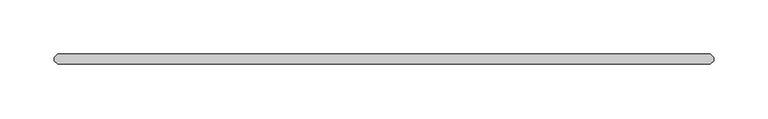
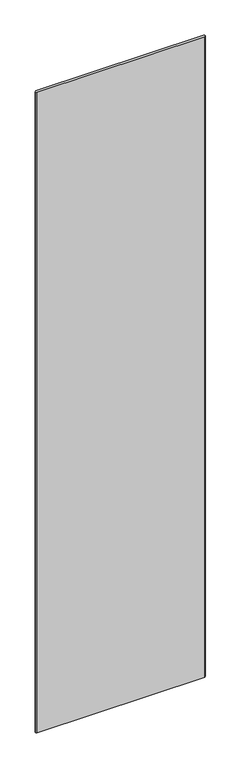
"""IFC4 building model written with IfcOpenShell, lengths in millimetres: plate geometry."""

import ifcopenshell
import ifcopenshell.guid

model = None  # the IFC model being written
_history = None  # IfcOwnerHistory: only IFC2X3 demands one
_inside = {}  # id of a spatial element -> (the spatial element, [elements in it])
_under = {}  # id of a project, library or spatial element -> (it, [spatial elements below it])
_declared = {}  # id of a project -> (the project, [libraries it declares])
_typed = {}  # id of a type object -> (the type object, [elements of that type])
_made_of = {}  # id of a material, layer set ... -> (it, [elements and type objects made of it])


def new_model(schema):
    """Start an empty IFC model of exactly this schema.

    Asked for "IFC4X3", IfcOpenShell would pick the latest addendum, in which some entities
    have other attributes; the version numbers below select the first issue.
    IFC2X3 requires an IfcOwnerHistory on every rooted entity: one is made here for all.
    """
    global model, _history
    if schema == "IFC4X3":
        model = ifcopenshell.file(schema_version=(4, 3, 0, 0))
    else:
        model = ifcopenshell.file(schema=schema)
    _inside.clear()
    _under.clear()
    _declared.clear()
    _typed.clear()
    _made_of.clear()
    _history = None
    if model.schema == "IFC2X3":
        org = make("IfcOrganization", Name="unknown")
        user = make(
            "IfcPersonAndOrganization",
            ThePerson=make("IfcPerson", FamilyName="unknown"),
            TheOrganization=org,
        )
        app = make(
            "IfcApplication",
            ApplicationDeveloper=org,
            Version="unknown",
            ApplicationFullName="unknown",
            ApplicationIdentifier="unknown",
        )
        _history = make(
            "IfcOwnerHistory",
            OwningUser=user,
            OwningApplication=app,
            ChangeAction="ADDED",
            CreationDate=0,
        )
    return model


def make(cls, **values):
    """One entity of the class cls with the attributes given. An attribute that is None is left unset."""
    return model.create_entity(
        cls, **{name: value for name, value in values.items() if value is not None}
    )


def rooted(cls, **values):
    """An entity with a GlobalId (a new one), such as an element, a storey or a relation."""
    return make(cls, GlobalId=ifcopenshell.guid.new(), OwnerHistory=_history, **values)


def si_unit(unit_type, name, prefix=None):
    """IfcSIUnit, for example si_unit("LENGTHUNIT", "METRE", prefix="MILLI")."""
    return make("IfcSIUnit", UnitType=unit_type, Prefix=prefix, Name=name)


def assignment(units):
    """IfcUnitAssignment: the units of a project."""
    return None if units is None else make("IfcUnitAssignment", Units=units)


def point(xyz):
    """IfcCartesianPoint."""
    return None if xyz is None else make("IfcCartesianPoint", Coordinates=xyz)


def direction(xyz):
    """IfcDirection."""
    return None if xyz is None else make("IfcDirection", DirectionRatios=xyz)


def frame(location, z_axis=None, x_axis=None):
    """IfcAxis2Placement3D, a coordinate frame: its origin and axes. An axis left out is left unset."""
    return make(
        "IfcAxis2Placement3D",
        Location=point(location),
        Axis=direction(z_axis),
        RefDirection=direction(x_axis),
    )


def origin():
    """The frame at (0, 0, 0) with its axes left unset."""
    return frame((0.0, 0.0, 0.0))


def origin_with_axes():
    """The frame at (0, 0, 0) with the z axis (0, 0, 1) and the x axis (1, 0, 0) written out."""
    return frame((0.0, 0.0, 0.0), z_axis=(0.0, 0.0, 1.0), x_axis=(1.0, 0.0, 0.0))


def place(relative_to, where):
    """IfcLocalPlacement: puts the frame where relative to a parent placement (None: the world)."""
    return make(
        "IfcLocalPlacement", PlacementRelTo=relative_to, RelativePlacement=where
    )


def context(
    kind, dimensions, precision=None, world=None, true_north=None, identifier=None
):
    """IfcGeometricRepresentationContext, for example the 3D "Model" context."""
    return make(
        "IfcGeometricRepresentationContext",
        ContextIdentifier=identifier,
        ContextType=kind,
        CoordinateSpaceDimension=dimensions,
        Precision=precision,
        WorldCoordinateSystem=world,
        TrueNorth=true_north,
    )


def project(units=None, contexts=None):
    """IfcProject with its units and contexts."""
    return rooted(
        "IfcProject",
        Name="project",
        RepresentationContexts=contexts,
        UnitsInContext=assignment(units),
    )


def spatial(cls, under=None, at=None, **own):
    """A site, building, storey or space (cls), placed at a placement, below another one or the project."""
    s = rooted(cls, ObjectPlacement=at, **own)
    if under is not None:
        _under.setdefault(under.id(), (under, []))[1].append(s)
    return s


def polyline(points):
    """IfcPolyline through the points."""
    return make("IfcPolyline", Points=[point(p) for p in points])


def outline(outer, holes=None, kind="AREA"):
    """IfcArbitraryClosedProfileDef: a profile drawn as a closed curve; with holes, ...WithVoids."""
    if holes is None:
        return make("IfcArbitraryClosedProfileDef", ProfileType=kind, OuterCurve=outer)
    return make(
        "IfcArbitraryProfileDefWithVoids",
        ProfileType=kind,
        OuterCurve=outer,
        InnerCurves=holes,
    )


def extrude(swept, where, along, depth):
    """IfcExtrudedAreaSolid: the profile swept, set in the frame where, extruded along a direction by depth."""
    return make(
        "IfcExtrudedAreaSolid",
        SweptArea=swept,
        Position=where,
        ExtrudedDirection=direction(along),
        Depth=depth,
    )


def shape(context_of_items, identifier, shape_type, items):
    """IfcShapeRepresentation: the items that make up one representation, for example the "Body"."""
    return make(
        "IfcShapeRepresentation",
        ContextOfItems=context_of_items,
        RepresentationIdentifier=identifier,
        RepresentationType=shape_type,
        Items=items,
    )


def source(mapping_origin, context_of_items, identifier, shape_type, items):
    """IfcRepresentationMap: a shape defined once, which mapped items show again and again."""
    return make(
        "IfcRepresentationMap",
        MappingOrigin=mapping_origin,
        MappedRepresentation=shape(context_of_items, identifier, shape_type, items),
    )


def transform(
    local_origin,
    x_axis=None,
    y_axis=None,
    z_axis=None,
    scale=None,
    scale2=None,
    scale3=None,
    uniform=True,
):
    """IfcCartesianTransformationOperator3D, or its non-uniform kind. x_axis, y_axis, z_axis: its Axis1, 2, 3."""
    if uniform:
        return make(
            "IfcCartesianTransformationOperator3D",
            Axis1=direction(x_axis),
            Axis2=direction(y_axis),
            LocalOrigin=point(local_origin),
            Scale=scale,
            Axis3=direction(z_axis),
        )
    return make(
        "IfcCartesianTransformationOperator3DnonUniform",
        Axis1=direction(x_axis),
        Axis2=direction(y_axis),
        LocalOrigin=point(local_origin),
        Scale=scale,
        Axis3=direction(z_axis),
        Scale2=scale2,
        Scale3=scale3,
    )


def mapped(mapping_source, mapping_target):
    """IfcMappedItem: shows the shape of a source again, moved by a transform."""
    return make(
        "IfcMappedItem", MappingSource=mapping_source, MappingTarget=mapping_target
    )


def made_of(thing, what):
    """Note that an element or type object is made of a material, layer set ...; save() writes the relation."""
    if what is not None:
        _made_of.setdefault(what.id(), (what, []))[1].append(thing)
    return thing


def element(
    cls,
    number,
    at=None,
    inside=None,
    cuts=None,
    type_object=None,
    material=None,
    context=None,
    identifier="Body",
    shape_type=None,
    held_by="IfcProductDefinitionShape",
    body=None,
    shapes=None,
    **own,
):
    """One element of the class cls, such as IfcWall. Its Tag is "e" and its number.

    at: its placement. inside: the storey or other place that contains it. cuts: it is an
    opening in that element (IfcRelVoidsElement). A single representation is given by context,
    identifier, shape_type and body (its items); several are given by shapes. held_by: the class
    of the entity that holds the representations. save() writes the other relations.
    """
    e = rooted(cls, Tag="e%d" % number, ObjectPlacement=at, **own)
    if body is not None:
        shapes = [shape(context, identifier, shape_type, body)]
    if shapes is not None:
        e.Representation = make(held_by, Representations=shapes)
    if inside is not None:
        _inside.setdefault(inside.id(), (inside, []))[1].append(e)
    if cuts is not None:
        rooted(
            "IfcRelVoidsElement", RelatingBuildingElement=cuts, RelatedOpeningElement=e
        )
    if type_object is not None:
        _typed.setdefault(type_object.id(), (type_object, []))[1].append(e)
    return made_of(e, material)


def aggregate(whole, parts):
    """IfcRelAggregates: a whole, such as a stair, and the parts it consists of."""
    return rooted("IfcRelAggregates", RelatingObject=whole, RelatedObjects=parts)


def save(model, path):
    """Write the relations noted so far, then the file.

    IfcRelAggregates (storeys below a building ...), IfcRelContainedInSpatialStructure (elements
    in a storey), IfcRelDefinesByType, IfcRelAssociatesMaterial and IfcRelDeclares: one each for
    every whole, place, type object, material and project.
    """
    for whole, parts in _under.values():
        aggregate(whole, parts)
    for where, things in _inside.values():
        rooted(
            "IfcRelContainedInSpatialStructure",
            RelatedElements=things,
            RelatingStructure=where,
        )
    for kind, things in _typed.values():
        rooted("IfcRelDefinesByType", RelatedObjects=things, RelatingType=kind)
    for what, things in _made_of.values():
        rooted("IfcRelAssociatesMaterial", RelatedObjects=things, RelatingMaterial=what)
    for by, libraries in _declared.values():
        rooted("IfcRelDeclares", RelatingContext=by, RelatedDefinitions=libraries)
    model.write(path)


def plate_b110d528(model_context):
    return source(origin(), model_context, "Body", "SweptSolid", [
        extrude(outline(polyline([(301.228125, -4.7625), (-301.228125, -4.7625), (-304.403125, -1.5875), (-304.403125, 1.5875), (-301.228125, 4.7625), (301.228125, 4.7625), (304.403125, 1.5875), (304.403125, -1.5875), (301.228125, -4.7625)])), origin_with_axes(), (0.0, 0.0, 1.0), 2427.1914267),
    ])


if __name__ == "__main__":
    model = new_model("IFC4")
    model_context = context("Model", 3, world=origin())
    ifc_project = project(units=[si_unit("LENGTHUNIT", "METRE", prefix="MILLI")], contexts=[model_context])
    site = spatial("IfcSite", under=ifc_project)
    building = spatial("IfcBuilding", under=site)
    placement = place(None, origin())
    plate_shape = plate_b110d528(model_context)
    element("IfcPlate", 1, at=placement, inside=building, context=model_context, shape_type="MappedRepresentation", body=[
        mapped(plate_shape, transform((0.0, 0.0, 0.0), x_axis=(1.0, 0.0, 0.0), y_axis=(0.0, 1.0, 0.0), z_axis=(0.0, 0.0, 1.0))),
    ])
    save(model, "model.ifc")
